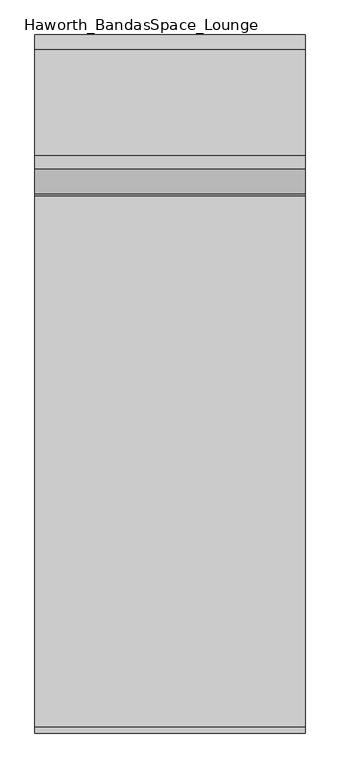
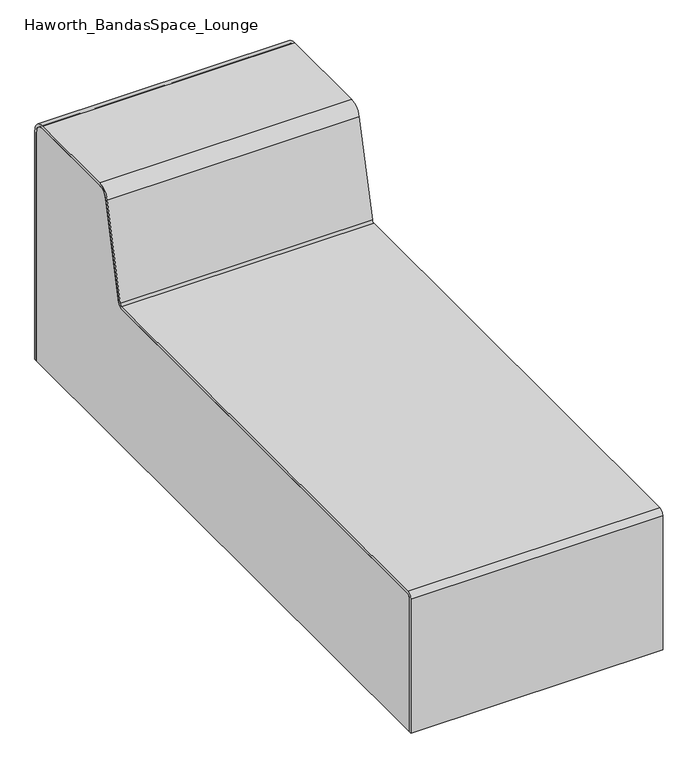
"""IFC4 building model written with IfcOpenShell, lengths in millimetres: furniture geometry, Haworth_BandasSpace_Lounge."""

from ifc_helpers import new_model, si_unit, point, frame, frame_2d, origin, place, context, project, spatial, polyline, circle_curve, trimmed, segment, composite_curve, outline, extrude, source, transform, mapped, element, save


def haworth_bandasspace_lounge_78f594dc(model_context):
    return source(origin(), model_context, "Body", "SweptSolid", [
        extrude(outline(composite_curve([segment(trimmed(circle_curve(frame_2d((-1259.284375, 336.55)), 12.7), [point((-1271.984375, 336.55))], [point((-1259.284375, 349.25))], False, "CARTESIAN"), True, "CONTINUOUS"), segment(polyline([(-1259.284375, 349.25), (-80.9209871, 349.25)]), True, "CONTINUOUS"), segment(trimmed(circle_curve(frame_2d((-80.9209871, 355.6)), 6.35), [point((-80.9209871, 349.25))], [point((-74.7427689, 354.1329896))], True, "CARTESIAN"), True, "CONTINUOUS"), segment(polyline([(-74.7427689, 354.1329896), (-20.7749926, 581.4147397)]), True, "CONTINUOUS"), segment(trimmed(circle_curve(frame_2d((10.1160985, 574.0796875)), 31.75), [point((-20.7749926, 581.4147397))], [point((10.1160985, 605.8296875))], False, "CARTESIAN"), True, "CONTINUOUS"), segment(polyline([(10.1160985, 605.8296875), (245.665625, 605.8296875)]), True, "CONTINUOUS"), segment(trimmed(circle_curve(frame_2d((245.665625, 574.0796875)), 31.75), [point((245.665625, 605.8296875))], [point((277.415625, 574.0796875))], False, "CARTESIAN"), True, "CONTINUOUS"), segment(polyline([(277.415625, 574.0796875), (277.415625, 0.0), (271.065625, 0.0), (271.065625, 574.0796875)]), True, "CONTINUOUS"), segment(trimmed(circle_curve(frame_2d((245.665625, 574.0796875)), 25.4), [point((271.065625, 574.0796875))], [point((245.665625, 599.4796875))], True, "CARTESIAN"), True, "CONTINUOUS"), segment(polyline([(245.665625, 599.4796875), (10.1160985, 599.4796875)]), True, "CONTINUOUS"), segment(trimmed(circle_curve(frame_2d((10.1160985, 574.0796875)), 25.4), [point((10.1160985, 599.4796875))], [point((-14.5967744, 579.9477292))], True, "CARTESIAN"), True, "CONTINUOUS"), segment(polyline([(-14.5967744, 579.9477292), (-68.5645507, 352.6659791)]), True, "CONTINUOUS"), segment(trimmed(circle_curve(frame_2d((-80.9209871, 355.6)), 12.7), [point((-68.5645507, 352.6659791))], [point((-80.9209871, 342.9))], False, "CARTESIAN"), True, "CONTINUOUS"), segment(polyline([(-80.9209871, 342.9), (-1259.284375, 342.9)]), True, "CONTINUOUS"), segment(trimmed(circle_curve(frame_2d((-1259.284375, 336.55)), 6.35), [point((-1259.284375, 342.9))], [point((-1265.634375, 336.55))], True, "CARTESIAN"), True, "CONTINUOUS"), segment(polyline([(-1265.634375, 336.55), (-1265.634375, 0.0), (-1271.984375, 0.0), (-1271.984375, 336.55)]), True, "CONTINUOUS")], self_intersect=False)), frame((-197.4453125, 0.0, 0.0), z_axis=(1.0, 0.0, 0.0), x_axis=(0.0, 1.0, 0.0)), (0.0, 0.0, 1.0), 599.4796875),
        extrude(outline(composite_curve([segment(polyline([(-1265.634375, 0.0), (-1265.634375, 336.55)]), True, "CONTINUOUS"), segment(trimmed(circle_curve(frame_2d((-1259.284375, 336.55)), 6.35), [point((-1265.634375, 336.55))], [point((-1259.284375, 342.9))], False, "CARTESIAN"), True, "CONTINUOUS"), segment(polyline([(-1259.284375, 342.9), (-80.9209871, 342.9)]), True, "CONTINUOUS"), segment(trimmed(circle_curve(frame_2d((-80.9209871, 355.6)), 12.7), [point((-80.9209871, 342.9))], [point((-68.5645507, 352.6659791))], True, "CARTESIAN"), True, "CONTINUOUS"), segment(polyline([(-68.5645507, 352.6659791), (-14.5967744, 579.9477292)]), True, "CONTINUOUS"), segment(trimmed(circle_curve(frame_2d((10.1160985, 574.0796875)), 25.4), [point((-14.5967744, 579.9477292))], [point((10.1160985, 599.4796875))], False, "CARTESIAN"), True, "CONTINUOUS"), segment(polyline([(10.1160985, 599.4796875), (245.665625, 599.4796875)]), True, "CONTINUOUS"), segment(trimmed(circle_curve(frame_2d((245.665625, 574.0796875)), 25.4), [point((245.665625, 599.4796875))], [point((271.065625, 574.0796875))], False, "CARTESIAN"), True, "CONTINUOUS"), segment(polyline([(271.065625, 574.0796875), (271.065625, 0.0), (-1265.634375, 0.0)]), True, "CONTINUOUS")], self_intersect=False)), frame((-197.4453125, 0.0, 0.0), z_axis=(1.0, 0.0, 0.0), x_axis=(0.0, 1.0, 0.0)), (0.0, 0.0, 1.0), 599.4796875),
    ])


if __name__ == "__main__":
    model = new_model("IFC4")
    model_context = context("Model", 3, world=origin())
    ifc_project = project(units=[si_unit("LENGTHUNIT", "METRE", prefix="MILLI")], contexts=[model_context])
    site = spatial("IfcSite", under=ifc_project)
    building = spatial("IfcBuilding", under=site)
    placement = place(None, origin())
    haworth_bandasspace_lounge_shape = haworth_bandasspace_lounge_78f594dc(model_context)
    element("IfcFurniture", 1, ObjectType="Haworth_BandasSpace_Lounge", at=placement, inside=building, context=model_context, shape_type="MappedRepresentation", body=[
        mapped(haworth_bandasspace_lounge_shape, transform((0.0, 0.0, 0.0), x_axis=(1.0, 0.0, 0.0), y_axis=(0.0, 1.0, 0.0), z_axis=(0.0, 0.0, 1.0))),
    ])
    save(model, "model.ifc")
